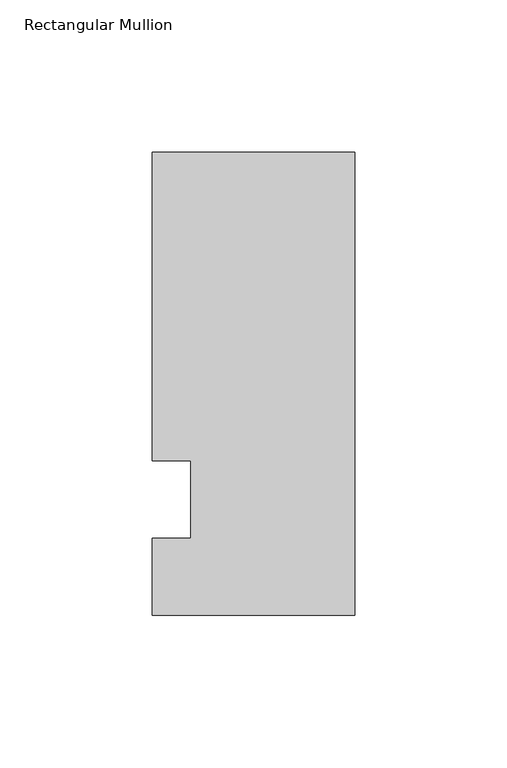
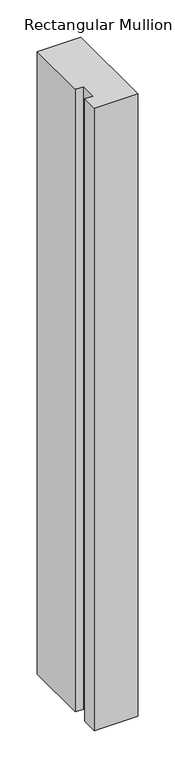
"""IFC4 building model written with IfcOpenShell, lengths in millimetres: member geometry, Rectangular Mullion."""

import ifcopenshell
import ifcopenshell.guid

model = None  # the IFC model being written
_history = None  # IfcOwnerHistory: only IFC2X3 demands one
_inside = {}  # id of a spatial element -> (the spatial element, [elements in it])
_under = {}  # id of a project, library or spatial element -> (it, [spatial elements below it])
_declared = {}  # id of a project -> (the project, [libraries it declares])
_typed = {}  # id of a type object -> (the type object, [elements of that type])
_made_of = {}  # id of a material, layer set ... -> (it, [elements and type objects made of it])


def new_model(schema):
    """Start an empty IFC model of exactly this schema.

    Asked for "IFC4X3", IfcOpenShell would pick the latest addendum, in which some entities
    have other attributes; the version numbers below select the first issue.
    IFC2X3 requires an IfcOwnerHistory on every rooted entity: one is made here for all.
    """
    global model, _history
    if schema == "IFC4X3":
        model = ifcopenshell.file(schema_version=(4, 3, 0, 0))
    else:
        model = ifcopenshell.file(schema=schema)
    _inside.clear()
    _under.clear()
    _declared.clear()
    _typed.clear()
    _made_of.clear()
    _history = None
    if model.schema == "IFC2X3":
        org = make("IfcOrganization", Name="unknown")
        user = make(
            "IfcPersonAndOrganization",
            ThePerson=make("IfcPerson", FamilyName="unknown"),
            TheOrganization=org,
        )
        app = make(
            "IfcApplication",
            ApplicationDeveloper=org,
            Version="unknown",
            ApplicationFullName="unknown",
            ApplicationIdentifier="unknown",
        )
        _history = make(
            "IfcOwnerHistory",
            OwningUser=user,
            OwningApplication=app,
            ChangeAction="ADDED",
            CreationDate=0,
        )
    return model


def make(cls, **values):
    """One entity of the class cls with the attributes given. An attribute that is None is left unset."""
    return model.create_entity(
        cls, **{name: value for name, value in values.items() if value is not None}
    )


def rooted(cls, **values):
    """An entity with a GlobalId (a new one), such as an element, a storey or a relation."""
    return make(cls, GlobalId=ifcopenshell.guid.new(), OwnerHistory=_history, **values)


def si_unit(unit_type, name, prefix=None):
    """IfcSIUnit, for example si_unit("LENGTHUNIT", "METRE", prefix="MILLI")."""
    return make("IfcSIUnit", UnitType=unit_type, Prefix=prefix, Name=name)


def assignment(units):
    """IfcUnitAssignment: the units of a project."""
    return None if units is None else make("IfcUnitAssignment", Units=units)


def point(xyz):
    """IfcCartesianPoint."""
    return None if xyz is None else make("IfcCartesianPoint", Coordinates=xyz)


def direction(xyz):
    """IfcDirection."""
    return None if xyz is None else make("IfcDirection", DirectionRatios=xyz)


def frame(location, z_axis=None, x_axis=None):
    """IfcAxis2Placement3D, a coordinate frame: its origin and axes. An axis left out is left unset."""
    return make(
        "IfcAxis2Placement3D",
        Location=point(location),
        Axis=direction(z_axis),
        RefDirection=direction(x_axis),
    )


def origin():
    """The frame at (0, 0, 0) with its axes left unset."""
    return frame((0.0, 0.0, 0.0))


def place(relative_to, where):
    """IfcLocalPlacement: puts the frame where relative to a parent placement (None: the world)."""
    return make(
        "IfcLocalPlacement", PlacementRelTo=relative_to, RelativePlacement=where
    )


def context(
    kind, dimensions, precision=None, world=None, true_north=None, identifier=None
):
    """IfcGeometricRepresentationContext, for example the 3D "Model" context."""
    return make(
        "IfcGeometricRepresentationContext",
        ContextIdentifier=identifier,
        ContextType=kind,
        CoordinateSpaceDimension=dimensions,
        Precision=precision,
        WorldCoordinateSystem=world,
        TrueNorth=true_north,
    )


def project(units=None, contexts=None):
    """IfcProject with its units and contexts."""
    return rooted(
        "IfcProject",
        Name="project",
        RepresentationContexts=contexts,
        UnitsInContext=assignment(units),
    )


def spatial(cls, under=None, at=None, **own):
    """A site, building, storey or space (cls), placed at a placement, below another one or the project."""
    s = rooted(cls, ObjectPlacement=at, **own)
    if under is not None:
        _under.setdefault(under.id(), (under, []))[1].append(s)
    return s


def polyline(points):
    """IfcPolyline through the points."""
    return make("IfcPolyline", Points=[point(p) for p in points])


def outline(outer, holes=None, kind="AREA"):
    """IfcArbitraryClosedProfileDef: a profile drawn as a closed curve; with holes, ...WithVoids."""
    if holes is None:
        return make("IfcArbitraryClosedProfileDef", ProfileType=kind, OuterCurve=outer)
    return make(
        "IfcArbitraryProfileDefWithVoids",
        ProfileType=kind,
        OuterCurve=outer,
        InnerCurves=holes,
    )


def extrude(swept, where, along, depth):
    """IfcExtrudedAreaSolid: the profile swept, set in the frame where, extruded along a direction by depth."""
    return make(
        "IfcExtrudedAreaSolid",
        SweptArea=swept,
        Position=where,
        ExtrudedDirection=direction(along),
        Depth=depth,
    )


def shape(context_of_items, identifier, shape_type, items):
    """IfcShapeRepresentation: the items that make up one representation, for example the "Body"."""
    return make(
        "IfcShapeRepresentation",
        ContextOfItems=context_of_items,
        RepresentationIdentifier=identifier,
        RepresentationType=shape_type,
        Items=items,
    )


def source(mapping_origin, context_of_items, identifier, shape_type, items):
    """IfcRepresentationMap: a shape defined once, which mapped items show again and again."""
    return make(
        "IfcRepresentationMap",
        MappingOrigin=mapping_origin,
        MappedRepresentation=shape(context_of_items, identifier, shape_type, items),
    )


def transform(
    local_origin,
    x_axis=None,
    y_axis=None,
    z_axis=None,
    scale=None,
    scale2=None,
    scale3=None,
    uniform=True,
):
    """IfcCartesianTransformationOperator3D, or its non-uniform kind. x_axis, y_axis, z_axis: its Axis1, 2, 3."""
    if uniform:
        return make(
            "IfcCartesianTransformationOperator3D",
            Axis1=direction(x_axis),
            Axis2=direction(y_axis),
            LocalOrigin=point(local_origin),
            Scale=scale,
            Axis3=direction(z_axis),
        )
    return make(
        "IfcCartesianTransformationOperator3DnonUniform",
        Axis1=direction(x_axis),
        Axis2=direction(y_axis),
        LocalOrigin=point(local_origin),
        Scale=scale,
        Axis3=direction(z_axis),
        Scale2=scale2,
        Scale3=scale3,
    )


def mapped(mapping_source, mapping_target):
    """IfcMappedItem: shows the shape of a source again, moved by a transform."""
    return make(
        "IfcMappedItem", MappingSource=mapping_source, MappingTarget=mapping_target
    )


def made_of(thing, what):
    """Note that an element or type object is made of a material, layer set ...; save() writes the relation."""
    if what is not None:
        _made_of.setdefault(what.id(), (what, []))[1].append(thing)
    return thing


def element(
    cls,
    number,
    at=None,
    inside=None,
    cuts=None,
    type_object=None,
    material=None,
    context=None,
    identifier="Body",
    shape_type=None,
    held_by="IfcProductDefinitionShape",
    body=None,
    shapes=None,
    **own,
):
    """One element of the class cls, such as IfcWall. Its Tag is "e" and its number.

    at: its placement. inside: the storey or other place that contains it. cuts: it is an
    opening in that element (IfcRelVoidsElement). A single representation is given by context,
    identifier, shape_type and body (its items); several are given by shapes. held_by: the class
    of the entity that holds the representations. save() writes the other relations.
    """
    e = rooted(cls, Tag="e%d" % number, ObjectPlacement=at, **own)
    if body is not None:
        shapes = [shape(context, identifier, shape_type, body)]
    if shapes is not None:
        e.Representation = make(held_by, Representations=shapes)
    if inside is not None:
        _inside.setdefault(inside.id(), (inside, []))[1].append(e)
    if cuts is not None:
        rooted(
            "IfcRelVoidsElement", RelatingBuildingElement=cuts, RelatedOpeningElement=e
        )
    if type_object is not None:
        _typed.setdefault(type_object.id(), (type_object, []))[1].append(e)
    return made_of(e, material)


def aggregate(whole, parts):
    """IfcRelAggregates: a whole, such as a stair, and the parts it consists of."""
    return rooted("IfcRelAggregates", RelatingObject=whole, RelatedObjects=parts)


def save(model, path):
    """Write the relations noted so far, then the file.

    IfcRelAggregates (storeys below a building ...), IfcRelContainedInSpatialStructure (elements
    in a storey), IfcRelDefinesByType, IfcRelAssociatesMaterial and IfcRelDeclares: one each for
    every whole, place, type object, material and project.
    """
    for whole, parts in _under.values():
        aggregate(whole, parts)
    for where, things in _inside.values():
        rooted(
            "IfcRelContainedInSpatialStructure",
            RelatedElements=things,
            RelatingStructure=where,
        )
    for kind, things in _typed.values():
        rooted("IfcRelDefinesByType", RelatedObjects=things, RelatingType=kind)
    for what, things in _made_of.values():
        rooted("IfcRelAssociatesMaterial", RelatedObjects=things, RelatingMaterial=what)
    for by, libraries in _declared.values():
        rooted("IfcRelDeclares", RelatingContext=by, RelatedDefinitions=libraries)
    model.write(path)


def rectangular_mullion_f095a915(model_context):
    return source(origin(), model_context, "Body", "SweptSolid", [
        extrude(outline(polyline([(-66.675, 114.3), (0.0, 114.3), (0.0, -38.1), (-66.675, -38.1), (-66.675, -12.7), (-53.9732296, -12.7), (-53.9732296, 12.7), (-66.675, 12.7), (-66.675, 114.3)])), frame((0.0, 0.0, -1016.0), z_axis=(0.0, 0.0, 1.0), x_axis=(1.0, 0.0, 0.0)), (0.0, 0.0, 1.0), 1016.0),
    ])


if __name__ == "__main__":
    model = new_model("IFC4")
    model_context = context("Model", 3, world=origin())
    ifc_project = project(units=[si_unit("LENGTHUNIT", "METRE", prefix="MILLI")], contexts=[model_context])
    site = spatial("IfcSite", under=ifc_project)
    building = spatial("IfcBuilding", under=site)
    placement = place(None, origin())
    rectangular_mullion_shape = rectangular_mullion_f095a915(model_context)
    element("IfcMember", 1, ObjectType="Rectangular Mullion", at=placement, inside=building, context=model_context, shape_type="MappedRepresentation", body=[
        mapped(rectangular_mullion_shape, transform((0.0, 0.0, 0.0), x_axis=(1.0, 0.0, 0.0), y_axis=(0.0, 1.0, 0.0), z_axis=(0.0, 0.0, 1.0))),
    ])
    save(model, "model.ifc")
